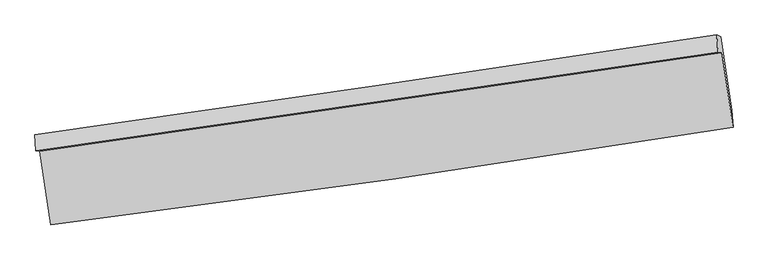
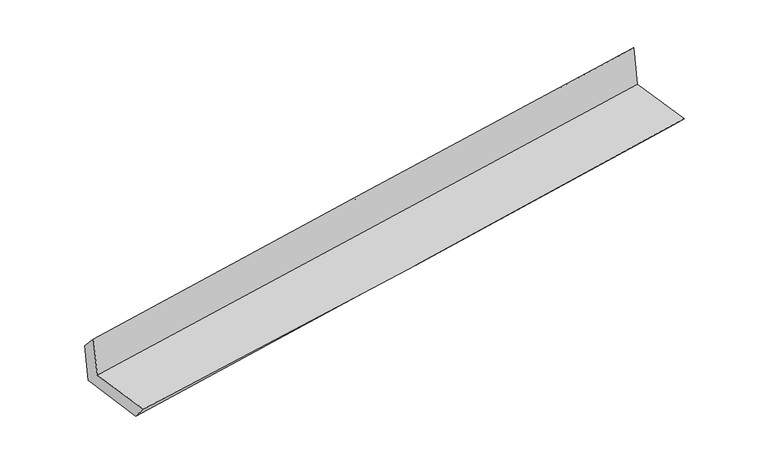
"""IFC4 building model written with IfcOpenShell, lengths in millimetres: proxy geometry."""

from ifc_helpers import new_model, si_unit, frame, origin, place, context, project, spatial, source, transform, mapped, element, save
from ifc_brep_helpers import plane_surface, spline_curve, spline_surface, advanced_brep


def generic_models_8396c4f1(model_context):
    return source(origin(), model_context, "Body", "AdvancedBrep", [
        advanced_brep(
        [(-2997.6363819, -1936.894592, 1656.3595495), (-2901.6247321, -2577.467669, 1648.7146786), (3047.1529515, -1726.7264236, 2149.0915473), (2949.6629331, -1075.1807338, 2154.8891867), (-3031.8244654, -1929.3629962, 2049.815021), (2915.5034783, -1070.957477, 2553.8647595), (-3039.778484, -1789.8747841, 1897.3539814), (2904.8891489, -920.663648, 2413.9160366), (-3006.9159287, -1797.1231957, 1519.169064), (2940.2355679, -935.5582991, 2019.721452), (-2908.0992782, -2450.7121617, 1501.2057516), (3037.1748059, -1576.8932731, 2002.3890853)],
        [
            (0, 1),
            (1, 2, spline_curve(3, [(-2901.6247321, -2577.467669, 1648.7146786), (-1907.453742502, -2454.160535188, 1732.48197751), (-914.630691805, -2321.610878847, 1816.064210048), (1068.295136203, -2038.030008687, 1982.856490802), (2058.397980153, -1886.999250106, 2066.066547776), (3047.1529515, -1726.7264236, 2149.0915473)], [4, 2, 4], [0.0, 9.892104864488696, 19.783966338155366])),
            (2, 3),
            (3, 0, spline_curve(3, [(2949.6629331, -1075.1807338, 2154.8891867), (1958.688893102, -1221.202913052, 2073.023347817), (967.599695277, -1366.022622174, 1990.546810919), (-1014.833403817, -1653.260634351, 1824.370294906), (-2006.177311202, -1795.678877602, 1740.670286359), (-2997.6363819, -1936.894592, 1656.3595495)], [4, 2, 4], [0.0, 9.89186147366667, 19.783966338155366])),
            (4, 0),
            (3, 5),
            (5, 4, spline_curve(3, [(2915.5034783, -1070.957477, 2553.8647595), (1923.937979421, -1215.198349194, 2475.880981796), (932.550662928, -1358.851705796, 2394.885501984), (-1049.891993587, -1644.986907962, 2226.869070606), (-2040.947325105, -1787.468724486, 2139.847971259), (-3031.8244654, -1929.3629962, 2049.815021)], [4, 2, 4], [0.0, 9.89172029982356, 19.783683986995538])),
            (6, 4),
            (5, 7),
            (7, 6, spline_curve(3, [(2904.8891489, -920.663648, 2413.9160366), (1914.570321548, -1070.68369226, 2331.336191896), (924.028035707, -1218.127116355, 2246.999982629), (-1057.527831255, -1507.864288515, 2074.812717249), (-2048.541422841, -1650.157909943, 1986.961574568), (-3039.778484, -1789.8747841, 1897.3539814)], [4, 2, 4], [0.0, 9.89173489416461, 19.783713176036738])),
            (8, 6),
            (7, 9),
            (9, 8, spline_curve(3, [(2940.2355679, -935.5582991, 2019.721452), (1948.841383091, -1078.209757475, 1936.883580556), (957.5544285, -1221.331672165, 1853.752462682), (-1024.829409234, -1508.519948149, 1686.901681248), (-2015.926286657, -1652.586332188, 1603.182003259), (-3006.9159287, -1797.1231957, 1519.169064)], [4, 2, 4], [0.0, 9.891686644526018, 19.78361667557236])),
            (10, 8),
            (9, 11),
            (11, 10, spline_curve(3, [(3037.1748059, -1576.8932731, 2002.3890853), (2046.465716218, -1724.022795243, 1919.332316578), (1055.677760672, -1870.404910454, 1836.039171319), (-926.080263708, -2161.677910111, 1668.978071824), (-1917.050335993, -2306.568757896, 1585.210105875), (-2908.0992782, -2450.7121617, 1501.2057516)], [4, 2, 4], [0.0, 9.8916525034691, 19.783548392618478])),
            (1, 10),
            (11, 2),
        ],
        [
            spline_surface(3, 3, [[(-2997.6363819, -1936.894592, 1656.3595495), (-2006.177311263, -1795.678877741, 1740.670286504), (-1014.833403938, -1653.260634216, 1824.370295069), (967.599695398, -1366.022622309, 1990.546810757), (1958.688893066, -1221.202913098, 2073.023347909), (2949.6629331, -1075.1807338, 2154.8891867)], [(-2965.632498632, -2150.418950985, 1653.811259195), (-1973.269455007, -2015.172763575, 1737.940850204), (-981.432499944, -1876.044049053, 1821.601600134), (1001.164842349, -1590.025084472, 1987.983370748), (1991.925255456, -1443.13502546, 2070.704414479), (2982.159605899, -1292.362630396, 2152.956640227)], [(-2933.628615368, -2363.943310015, 1651.262968905), (-1940.361598755, -2234.666649452, 1735.211413917), (-948.031595898, -2098.827463894, 1818.832905127), (1034.729989351, -1814.027546638, 1985.419930667), (2025.161617847, -1665.067137833, 2068.385481069), (3014.656278701, -1509.544527004, 2151.024093773)], [(-2901.6247321, -2577.467669, 1648.7146786), (-1907.453742498, -2454.160535285, 1732.481977617), (-914.630691904, -2321.610878732, 1816.064210192), (1068.295136301, -2038.030008801, 1982.856490658), (2058.397980237, -1886.999250195, 2066.066547638), (3047.1529515, -1726.7264236, 2149.0915473)]], [4, 4], [4, 2, 4], [0.0, 2.223464607087076], [0.0, 9.892104864488696, 19.783966338155366]),
            spline_surface(3, 3, [[(-3031.8244654, -1929.3629962, 2049.815021), (-2040.947325145, -1787.468724337, 2139.847971094), (-1049.891993655, -1644.986907865, 2226.86907064), (932.550662997, -1358.851705893, 2394.88550195), (1923.93797944, -1215.198349284, 2475.880981867), (2915.5034783, -1070.957477, 2553.8647595)], [(-3020.428437567, -1931.873528141, 1918.663197191), (-2029.357320518, -1790.205442146, 2006.788742921), (-1038.205797084, -1647.744816649, 2092.702812097), (944.233673796, -1361.242011366, 2260.1059382), (1935.521617335, -1217.199870558, 2341.595103895), (2926.889963253, -1072.365229269, 2420.872901913)], [(-3009.032409733, -1934.384060059, 1787.511373309), (-2017.76731589, -1792.942159932, 1873.729514677), (-1026.51960051, -1650.502725431, 1958.536553611), (955.916684599, -1363.632316836, 2125.326374507), (1947.105255171, -1219.201391825, 2207.309225882), (2938.276448147, -1073.772981531, 2287.881044287)], [(-2997.6363819, -1936.894592, 1656.3595495), (-2006.177311263, -1795.678877741, 1740.670286504), (-1014.833403938, -1653.260634216, 1824.370295069), (967.599695398, -1366.022622309, 1990.546810757), (1958.688893066, -1221.202913098, 2073.023347909), (2949.6629331, -1075.1807338, 2154.8891867)]], [4, 4], [4, 2, 4], [0.0, 1.328780905537891], [0.0, 9.891963687171978, 19.783683986995538]),
            spline_surface(3, 3, [[(-3039.778484, -1789.8747841, 1897.3539814), (-2048.541422788, -1650.15790985, 1986.961574676), (-1057.527831092, -1507.864288523, 2074.8127173), (924.028035544, -1218.127116348, 2246.999982578), (1914.570321483, -1070.683692329, 2331.336191733), (2904.8891489, -920.663648, 2413.9160366)], [(-3037.127144447, -1836.370854801, 1948.174327904), (-2046.010056887, -1695.928181346, 2037.923706786), (-1054.98255194, -1553.571828293, 2125.49816844), (926.868911368, -1265.035312853, 2296.295155729), (1917.69287414, -1118.855244665, 2379.517788457), (2908.427258705, -970.761591018, 2460.565610912)], [(-3034.475804953, -1882.866925499, 1998.994674496), (-2043.478691046, -1741.698452841, 2088.885838984), (-1052.437272808, -1599.279368095, 2176.1836195), (929.709787172, -1311.943509388, 2345.5903288), (1920.815426783, -1167.026796948, 2427.699385144), (2911.965368495, -1020.859533982, 2507.215185188)], [(-3031.8244654, -1929.3629962, 2049.815021), (-2040.947325145, -1787.468724337, 2139.847971094), (-1049.891993655, -1644.986907865, 2226.86907064), (932.550662997, -1358.851705893, 2394.88550195), (1923.93797944, -1215.198349284, 2475.880981867), (2915.5034783, -1070.957477, 2553.8647595)]], [4, 4], [4, 2, 4], [0.0, 0.6712210881827239], [0.0, 9.891978281872127, 19.783713176036738]),
            spline_surface(3, 3, [[(-3006.9159287, -1797.1231957, 1519.169064), (-2015.926286588, -1652.586332024, 1603.182003129), (-1024.829409107, -1508.519948008, 1686.901681178), (957.554428373, -1221.331672305, 1853.752462752), (1948.841383085, -1078.209757429, 1936.883580692), (2940.2355679, -935.5582991, 2019.721452)], [(-3017.870113816, -1794.707058502, 1645.230703163), (-2026.797998671, -1651.776857968, 1731.108527008), (-1035.728883093, -1508.301394871, 1816.20535986), (946.378964106, -1220.263487011, 1984.834969336), (1937.417695864, -1075.701069041, 2068.367784374), (2928.453428213, -930.593415379, 2151.119646868)], [(-3028.824298884, -1792.290921298, 1771.292342237), (-2037.669710705, -1650.967383905, 1859.035050798), (-1046.628357106, -1508.08284166, 1945.509038618), (935.203499811, -1219.195301643, 2115.917475995), (1925.994008704, -1073.192380716, 2199.851988052), (2916.671288587, -925.628531721, 2282.517841732)], [(-3039.778484, -1789.8747841, 1897.3539814), (-2048.541422788, -1650.15790985, 1986.961574676), (-1057.527831092, -1507.864288523, 2074.8127173), (924.028035544, -1218.127116348, 2246.999982578), (1914.570321483, -1070.683692329, 2331.336191733), (2904.8891489, -920.663648, 2413.9160366)]], [4, 4], [4, 2, 4], [0.0, 1.286040180490202], [0.0, 9.891930031046343, 19.78361667557236]),
            spline_surface(3, 3, [[(-2908.0992782, -2450.7121617, 1501.2057516), (-1917.050335911, -2306.568757829, 1585.210105872), (-926.080263596, -2161.67791011, 1668.978071778), (1055.677760561, -1870.404910455, 1836.039171364), (2046.46571627, -1724.022795322, 1919.332316722), (3037.1748059, -1576.8932731, 2002.3890853)], [(-2941.038161698, -2232.849173027, 1507.193522376), (-1950.008986134, -2088.574615888, 1591.200738267), (-958.996645431, -1943.958589385, 1674.952608266), (1022.969983167, -1654.047164381, 1841.943601848), (2013.924271876, -1508.751782705, 1925.182738042), (3004.861726568, -1363.114948448, 2008.166540863)], [(-2973.977045202, -2014.986184373, 1513.181293224), (-1982.967636365, -1870.580473965, 1597.191370734), (-991.913027273, -1726.239268732, 1680.92714469), (990.262205766, -1437.68941838, 1847.848032269), (1981.382827479, -1293.480770046, 1931.033159372), (2972.548647232, -1149.336623752, 2013.943996437)], [(-3006.9159287, -1797.1231957, 1519.169064), (-2015.926286588, -1652.586332024, 1603.182003129), (-1024.829409107, -1508.519948008, 1686.901681178), (957.554428373, -1221.331672305, 1853.752462752), (1948.841383085, -1078.209757429, 1936.883580692), (2940.2355679, -935.5582991, 2019.721452)]], [4, 4], [4, 2, 4], [0.0, 2.1612712591766794], [0.0, 9.891895889149378, 19.783548392618478]),
            spline_surface(3, 3, [[(-2901.6247321, -2577.467669, 1648.7146786), (-1907.453742498, -2454.160535285, 1732.481977617), (-914.630691904, -2321.610878732, 1816.064210192), (1068.295136301, -2038.030008801, 1982.856490658), (2058.397980237, -1886.999250195, 2066.066547638), (3047.1529515, -1726.7264236, 2149.0915473)], [(-2903.782914141, -2535.215833244, 1599.545036271), (-1910.652606977, -2404.963276143, 1683.391353707), (-918.447215802, -2268.299889201, 1767.03549736), (1064.089344387, -1982.154976029, 1933.917384199), (2054.420558911, -1832.673765228, 2017.155137316), (3043.826902963, -1676.78204009, 2100.190726617)], [(-2905.941096159, -2492.963997456, 1550.375393929), (-1913.851471433, -2355.766016971, 1634.300729783), (-922.263739698, -2214.988899641, 1718.006784611), (1059.883552475, -1926.279943227, 1884.978277823), (2050.443137596, -1778.34828029, 1968.243727043), (3040.500854437, -1626.83765661, 2051.289905983)], [(-2908.0992782, -2450.7121617, 1501.2057516), (-1917.050335911, -2306.568757829, 1585.210105872), (-926.080263596, -2161.67791011, 1668.978071778), (1055.677760561, -1870.404910455, 1836.039171364), (2046.46571627, -1724.022795322, 1919.332316722), (3037.1748059, -1576.8932731, 2002.3890853)]], [4, 4], [4, 2, 4], [0.0, 0.7230003227514348], [0.0, 9.892049762717013, 19.783856135967756]),
            plane_surface(frame((2965.7698143, -1217.6633091, 2215.6453446), z_axis=(0.9856984558341687, 0.14675177109507864, 0.08284003770275054), x_axis=(-0.08924594639003265, 0.037607409022246116, 0.9952993739772878))),
            plane_surface(frame((-2980.9798784, -2080.2392331, 1712.1030077), z_axis=(-0.9856984558341747, -0.14675177109503532, -0.08284003770275654), x_axis=(-0.14821792673318937, 0.9888843029093827, 0.011801764882390717))),
        ],
        [
            (0, [[1, 2, 3, 4]]),
            (1, [[5, -4, 6, 7]]),
            (2, [[8, -7, 9, 10]]),
            (3, [[11, -10, 12, 13]]),
            (4, [[14, -13, 15, 16]]),
            (5, [[17, -16, 18, -2]]),
            (6, [[-12, -9, -6, -3, -18, -15]]),
            (7, [[-1, -5, -8, -11, -14, -17]]),
        ],
    ),
    ])


if __name__ == "__main__":
    model = new_model("IFC4")
    model_context = context("Model", 3, world=origin())
    ifc_project = project(units=[si_unit("LENGTHUNIT", "METRE", prefix="MILLI")], contexts=[model_context])
    site = spatial("IfcSite", under=ifc_project)
    building = spatial("IfcBuilding", under=site)
    placement = place(None, origin())
    generic_models_shape = generic_models_8396c4f1(model_context)
    element("IfcBuildingElementProxy", 1, Name="Generic Models", at=placement, inside=building, context=model_context, shape_type="MappedRepresentation", body=[
        mapped(generic_models_shape, transform((0.0, 0.0, 0.0), x_axis=(1.0, 0.0, 0.0), y_axis=(0.0, 1.0, 0.0), z_axis=(0.0, 0.0, 1.0))),
    ])
    save(model, "model.ifc")
